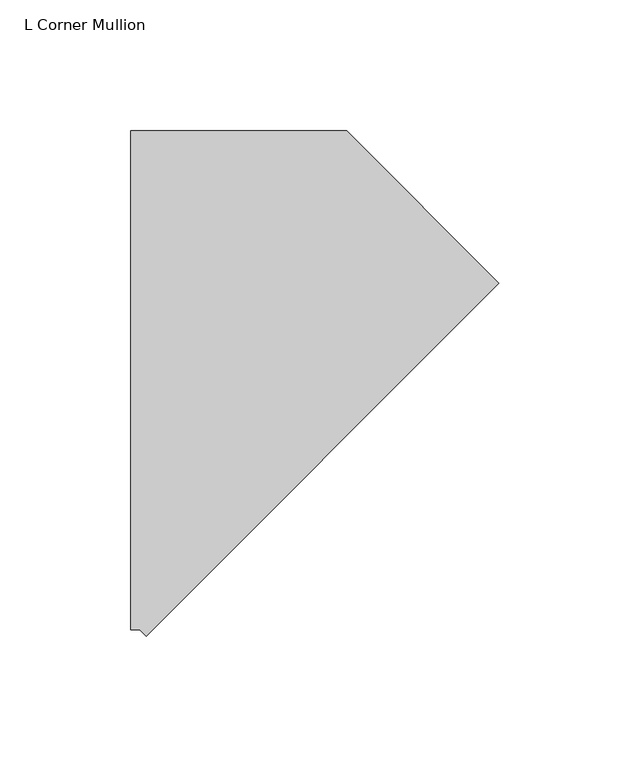
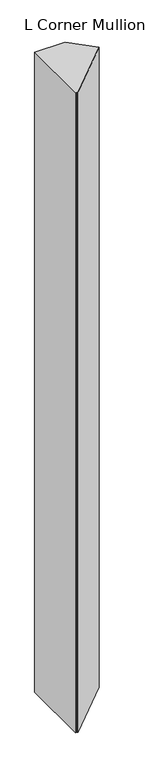
"""IFC4 building model written with IfcOpenShell, lengths in millimetres: member geometry, L Corner Mullion."""

from ifc_helpers import new_model, si_unit, frame, origin, place, context, project, spatial, polyline, outline, extrude, source, transform, mapped, element, save


def l_corner_mullion_56a23d07(model_context):
    return source(origin(), model_context, "Body", "SweptSolid", [
        extrude(outline(polyline([(-64.6612458, -164.3352853), (-67.0715311, -161.925), (-70.4801893, -161.925), (-70.4801893, 28.575), (11.8361525, 28.575), (70.042596, -29.6314435), (-64.6612458, -164.3352853)])), frame((0.0, 0.0, -1828.8), z_axis=(0.0, 0.0, 1.0), x_axis=(1.0, 0.0, 0.0)), (0.0, 0.0, 1.0), 1828.8),
    ])


if __name__ == "__main__":
    model = new_model("IFC4")
    model_context = context("Model", 3, world=origin())
    ifc_project = project(units=[si_unit("LENGTHUNIT", "METRE", prefix="MILLI")], contexts=[model_context])
    site = spatial("IfcSite", under=ifc_project)
    building = spatial("IfcBuilding", under=site)
    placement = place(None, origin())
    l_corner_mullion_shape = l_corner_mullion_56a23d07(model_context)
    element("IfcMember", 1, ObjectType="L Corner Mullion", at=placement, inside=building, context=model_context, shape_type="MappedRepresentation", body=[
        mapped(l_corner_mullion_shape, transform((0.0, 0.0, 0.0), x_axis=(1.0, 0.0, 0.0), y_axis=(0.0, 1.0, 0.0), z_axis=(0.0, 0.0, 1.0))),
    ])
    save(model, "model.ifc")
